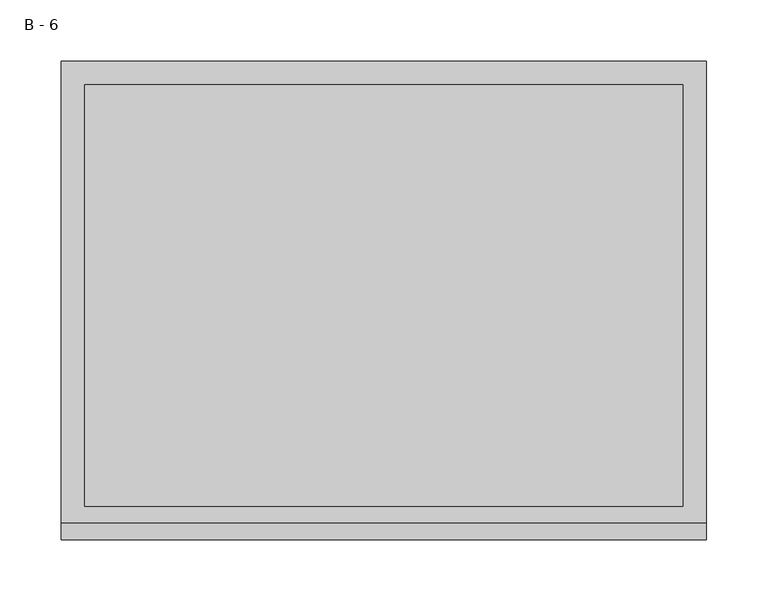
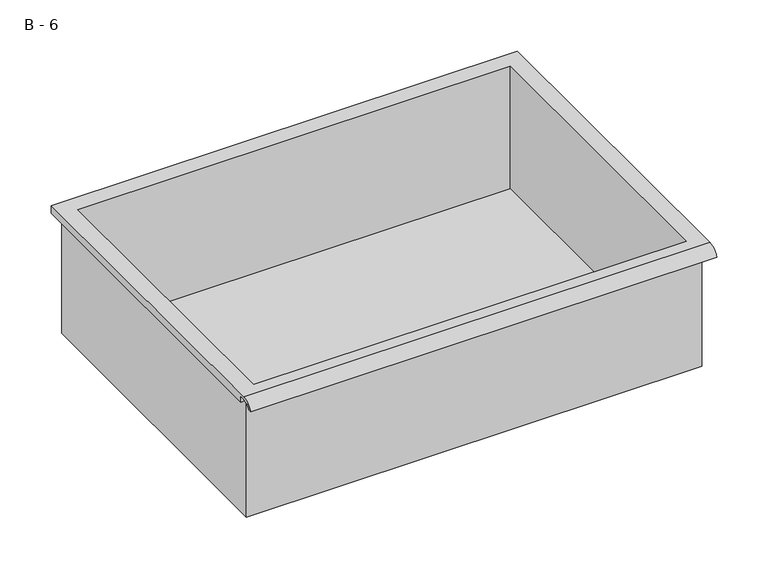
"""IFC4 building model written with IfcOpenShell, lengths in millimetres: furniture geometry, B - 6."""

from ifc_helpers import new_model, si_unit, frame, origin, place, context, project, spatial, polyline, circle_curve, source, transform, mapped, element, save
from ifc_brep_helpers import plane_surface, cylinder_surface, revolved_surface, advanced_brep


def b_6_3d13ea69(model_context):
    return source(origin(), model_context, "Body", "AdvancedBrep", [
        advanced_brep(
        [(-257.1076517, -176.2125, 465.25942), (257.2423483, -176.2125, 465.25942), (257.2423483, -176.2125, 604.95942), (263.5923483, -176.2125, 604.95942), (263.5923483, -176.2125, 611.2665541), (-263.4576517, -176.2125, 611.2665541), (-263.4576517, -176.2125, 604.95942), (-257.1076517, -176.2125, 604.95942), (257.2423483, 185.7375, 465.25942), (-257.1076517, 185.7375, 465.25942), (-257.1076517, 185.7375, 604.95942), (257.2423483, 185.7375, 604.95942), (263.5923483, -181.6070544, 614.48442), (263.5923483, 195.2625, 614.48442), (-263.4576517, 195.2625, 614.48442), (-263.4576517, -181.6070544, 614.48442), (244.5423483, -168.275, 614.48442), (-244.4076517, -168.275, 614.48442), (-244.4076517, 176.2125, 614.48442), (244.5423483, 176.2125, 614.48442), (263.5923483, -195.2625, 604.95942), (263.5923483, -191.8280601, 604.95942), (263.5923483, -180.4714815, 611.2665541), (263.5923483, 195.2625, 604.95942), (-263.4576517, 195.2625, 604.95942), (-263.4576517, -180.4714815, 611.2665541), (-263.4576517, -191.8280601, 604.95942), (-263.4576517, -195.2625, 604.95942), (-244.4076517, -168.275, 468.2855919), (244.5423483, -168.275, 468.2855919), (244.5423483, 176.2125, 468.2855919), (-244.4076517, 176.2125, 468.2855919)],
        [
            (0, 1),
            (1, 2),
            (2, 3),
            (3, 4),
            (4, 5),
            (5, 6),
            (6, 7),
            (7, 0),
            (8, 9),
            (9, 10),
            (10, 11),
            (11, 8),
            (0, 9),
            (8, 1),
            (11, 2),
            (12, 13),
            (13, 14),
            (14, 15),
            (15, 12),
            (16, 17),
            (17, 18),
            (18, 19),
            (19, 16),
            (7, 10),
            (12, 20, circle_curve(frame((263.5923483, -181.6070544, 599.9334059), z_axis=(1.0, 0.0, 0.0), x_axis=(0.0, 1.0, 0.0)), 14.5510141)),
            (20, 21),
            (21, 22, circle_curve(frame((263.5923483, -181.6070544, 599.9334059), z_axis=(-1.0, 0.0, 0.0), x_axis=(0.0, 1.0, 0.0)), 11.3898979)),
            (22, 4),
            (3, 23),
            (23, 13),
            (14, 24),
            (24, 6),
            (5, 25),
            (25, 26, circle_curve(frame((-263.4576517, -181.6070544, 599.9334059), z_axis=(1.0, 0.0, 0.0), x_axis=(0.0, 1.0, 0.0)), 11.3898979)),
            (26, 27),
            (27, 15, circle_curve(frame((-263.4576517, -181.6070544, 599.9334059), z_axis=(-1.0, 0.0, 0.0), x_axis=(0.0, 1.0, 0.0)), 14.5510141)),
            (27, 20),
            (26, 21),
            (25, 22),
            (24, 23),
            (28, 29),
            (29, 30),
            (30, 31),
            (31, 28),
            (28, 17),
            (16, 29),
            (19, 30),
            (18, 31),
        ],
        [
            plane_surface(frame((257.2423483, -176.2125, 465.25942), z_axis=(0.0, -1.0, 0.0), x_axis=(1.0, 0.0, 0.0))),
            plane_surface(frame((257.2423483, 185.7375, 465.25942), z_axis=(0.0, 1.0, 0.0), x_axis=(-1.0, 0.0, 0.0))),
            plane_surface(frame((-257.1076517, -176.2125, 465.25942), z_axis=(0.0, 0.0, -1.0), x_axis=(0.0, 1.0, 0.0))),
            plane_surface(frame((257.2423483, -176.2125, 465.25942), z_axis=(1.0, 0.0, 0.0), x_axis=(0.0, 1.0, 0.0))),
            plane_surface(frame((257.2423483, -176.2125, 614.48442), z_axis=(0.0, 0.0, 1.0), x_axis=(0.0, 1.0, 0.0))),
            plane_surface(frame((-257.1076517, -176.2125, 614.48442), z_axis=(-1.0, 0.0, 0.0), x_axis=(0.0, 1.0, 0.0))),
            plane_surface(frame((263.5923483, 195.2625, 614.48442), z_axis=(1.0, 0.0, 0.0), x_axis=(0.0, -1.0, 0.0))),
            plane_surface(frame((-263.4576517, 195.2625, 614.48442), z_axis=(-1.0, 0.0, 0.0), x_axis=(0.0, 1.0, 0.0))),
            cylinder_surface(frame((-263.4576517, -181.6070544, 599.9334059), z_axis=(1.0, 0.0, 0.0), x_axis=(0.0, 1.0, 0.0)), 14.5510141),
            plane_surface(frame((263.5923483, -195.2625, 604.95942), z_axis=(0.0, -7.251821180146202e-12, -1.0), x_axis=(-1.0, 0.0, 0.0))),
            revolved_surface(polyline([(-263.4576517, -170.21715650000002, 599.9334059), (263.59234829999997, -170.21715650000002, 599.9334059)]), (-263.4576517, -181.6070544, 599.9334059), (-1.0, 0.0, 0.0)),
            plane_surface(frame((263.5923483, -180.4714815, 611.2665541), z_axis=(0.0, -1.792497400177309e-11, -1.0), x_axis=(-1.0, 0.0, 0.0))),
            plane_surface(frame((263.5923483, -176.2125, 604.95942), z_axis=(0.0, 0.0, -1.0), x_axis=(-1.0, 0.0, 0.0))),
            plane_surface(frame((263.5923483, 195.2625, 604.95942), z_axis=(0.0, 1.0, 0.0), x_axis=(-1.0, 0.0, 0.0))),
            plane_surface(frame((244.5423483, -168.275, 468.2855919), z_axis=(0.0, 0.0, 1.0), x_axis=(-1.0, 0.0, 0.0))),
            plane_surface(frame((-244.4076517, -168.275, 614.48442), z_axis=(0.0, 1.0, 0.0), x_axis=(0.0, 0.0, -1.0))),
            plane_surface(frame((244.5423483, -168.275, 614.48442), z_axis=(-1.0, 0.0, 0.0), x_axis=(0.0, 0.0, -1.0))),
            plane_surface(frame((244.5423483, 176.2125, 614.48442), z_axis=(0.0, -1.0, 0.0), x_axis=(0.0, 0.0, -1.0))),
            plane_surface(frame((-244.4076517, 176.2125, 614.48442), z_axis=(1.0, 0.0, 0.0), x_axis=(0.0, 0.0, -1.0))),
        ],
        [
            (0, [[1, 2, 3, 4, 5, 6, 7, 8]]),
            (1, [[9, 10, 11, 12]]),
            (2, [[-1, 13, -9, 14]]),
            (3, [[-14, -12, 15, -2]]),
            (4, [[16, 17, 18, 19], [20, 21, 22, 23]]),
            (5, [[-13, -8, 24, -10]]),
            (6, [[-16, 25, 26, 27, 28, -4, 29, 30]]),
            (7, [[31, 32, -6, 33, 34, 35, 36, -18]]),
            (8, [[-25, -19, -36, 37]]),
            (9, [[-26, -37, -35, 38]]),
            (10, [[-27, -38, -34, 39]]),
            (11, [[-28, -39, -33, -5]]),
            (12, [[-29, -3, -15, -11, -24, -7, -32, 40]]),
            (13, [[-30, -40, -31, -17]]),
            (14, [[41, 42, 43, 44]]),
            (15, [[-41, 45, -20, 46]]),
            (16, [[-42, -46, -23, 47]]),
            (17, [[-43, -47, -22, 48]]),
            (18, [[-44, -48, -21, -45]]),
        ],
    ),
    ])


if __name__ == "__main__":
    model = new_model("IFC4")
    model_context = context("Model", 3, world=origin())
    ifc_project = project(units=[si_unit("LENGTHUNIT", "METRE", prefix="MILLI")], contexts=[model_context])
    site = spatial("IfcSite", under=ifc_project)
    building = spatial("IfcBuilding", under=site)
    placement = place(None, origin())
    b_6_shape = b_6_3d13ea69(model_context)
    element("IfcFurniture", 1, ObjectType="B - 6", at=placement, inside=building, context=model_context, shape_type="MappedRepresentation", body=[
        mapped(b_6_shape, transform((0.0, 0.0, 0.0), x_axis=(1.0, 0.0, 0.0), y_axis=(0.0, 1.0, 0.0), z_axis=(0.0, 0.0, 1.0))),
    ])
    save(model, "model.ifc")
